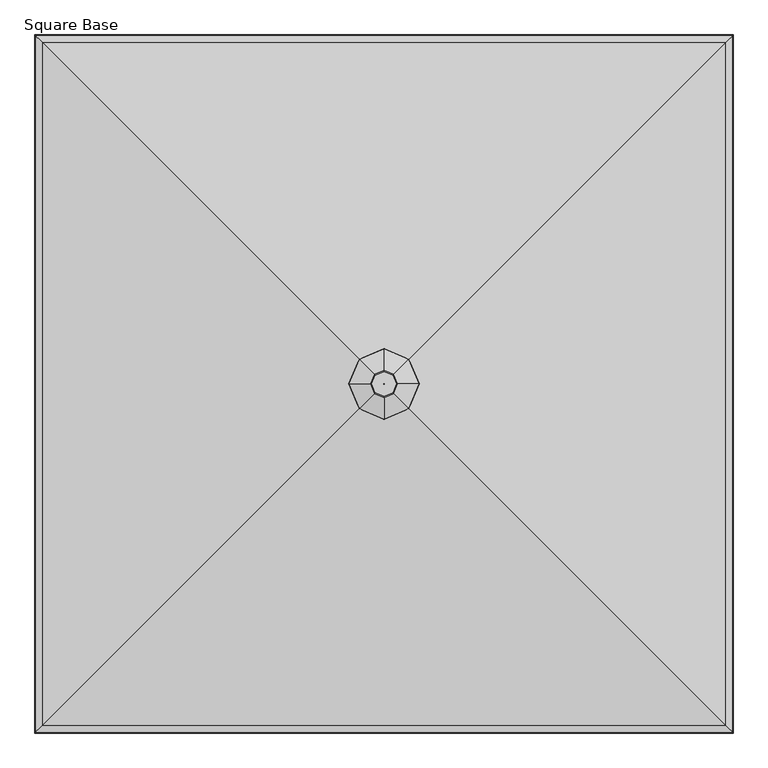
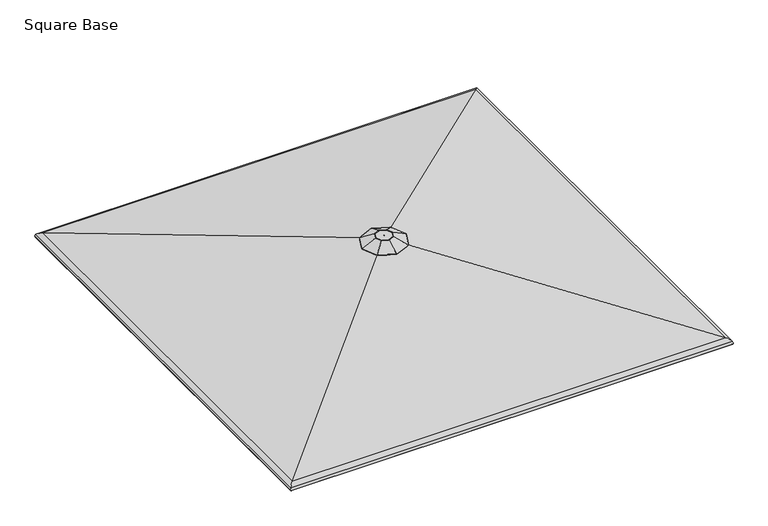
"""IFC4 building model written with IfcOpenShell, lengths in millimetres: furniture geometry, Square Base."""

from ifc_helpers import new_model, si_unit, frame, origin, place, context, project, spatial, polyline, ellipse_curve, source, transform, mapped, element, save
from ifc_brep_helpers import plane_surface, cylinder_surface, revolved_surface, advanced_brep


def square_base_37c14542(model_context):
    return source(origin(), model_context, "Body", "AdvancedBrep", [
        advanced_brep(
        [(459.6167733, -4.0299408, 2788.1260368), (443.5284214, 33.0984806, 2788.1260368), (406.4, 49.1868325, 2788.1260368), (369.2715786, 33.0984806, 2788.1260368), (353.1832267, -4.0299408, 2788.1260368), (369.2715786, -41.1583622, 2788.1260368), (406.4, -57.2467141, 2788.1260368), (443.5284214, -41.1583622, 2788.1260368), (406.1200807, -3.7500215, 2788.1260368), (406.4, -3.6287279, 2788.1260368), (406.6799193, -3.7500215, 2788.1260368), (406.8012128, -4.0299408, 2788.1260368), (406.6799193, -4.30986, 2788.1260368), (406.4, -4.4311536, 2788.1260368), (406.1200807, -4.30986, 2788.1260368), (405.9987872, -4.0299408, 2788.1260368), (386.6122835, 15.7577757, 2773.6177982), (406.4, 24.3321167, 2773.6177982), (426.1877165, 15.7577757, 2773.6177982), (434.7620575, -4.0299408, 2773.6177982), (426.1877165, -23.8176572, 2773.6177982), (406.4, -32.3919982, 2773.6177982), (386.6122835, -23.8176572, 2773.6177982), (378.0379425, -4.0299408, 2773.6177982), (406.8012128, -4.0299408, 2773.6177982), (406.6799193, -3.7500215, 2773.6177982), (406.4, -3.6287279, 2773.6177982), (406.1200807, -3.7500215, 2773.6177982), (405.9987872, -4.0299408, 2773.6177982), (406.1200807, -4.30986, 2773.6177982), (406.4, -4.4311536, 2773.6177982), (406.6799193, -4.30986, 2773.6177982), (300.4700231, 101.9000361, 2741.0648825), (254.5688326, -4.0299408, 2741.0648825), (299.7039003, 102.6661589, 2743.64096), (253.4707362, -4.0299408, 2743.64096), (364.933862, 37.4361973, 2786.7726474), (346.9659065, -4.0299408, 2786.7726474), (300.4700231, -109.9599176, 2741.0648825), (299.7039003, -110.7260405, 2743.64096), (364.933862, -45.4960788, 2786.7726474), (406.4, -155.8611082, 2741.0648825), (406.4, -156.9592046, 2743.64096), (406.4, -63.4640343, 2786.7726474), (512.3299769, -109.9599176, 2741.0648825), (513.0960997, -110.7260405, 2743.64096), (447.866138, -45.4960788, 2786.7726474), (558.2311674, -4.0299408, 2741.0648825), (559.3292638, -4.0299408, 2743.64096), (465.8340935, -4.0299408, 2786.7726474), (512.3299769, 101.9000361, 2741.0648825), (513.0960997, 102.6661589, 2743.64096), (447.866138, 37.4361973, 2786.7726474), (406.4, 147.8012266, 2741.0648825), (406.4, 148.899323, 2743.64096), (406.4, 55.4041527, 2786.7726474)],
        [
            (0, 1),
            (1, 2),
            (2, 3),
            (3, 4),
            (4, 5),
            (5, 6),
            (6, 7),
            (7, 0),
            (8, 9),
            (9, 10),
            (10, 11),
            (11, 12),
            (12, 13),
            (13, 14),
            (14, 15),
            (15, 8),
            (16, 17),
            (17, 18),
            (18, 19),
            (19, 20),
            (20, 21),
            (21, 22),
            (22, 23),
            (23, 16),
            (24, 25),
            (25, 26),
            (26, 27),
            (27, 28),
            (28, 29),
            (29, 30),
            (30, 31),
            (31, 24),
            (27, 8),
            (15, 28),
            (14, 29),
            (13, 30),
            (12, 31),
            (11, 24),
            (10, 25),
            (9, 26),
            (32, 16),
            (23, 33),
            (33, 32),
            (34, 32, ellipse_curve(frame((300.178338, 102.1917212, 2742.3999245), z_axis=(-0.7071067811865479, -0.707106781186547, 0.0), x_axis=(-0.7071067811865467, 0.7071067811865482, 0.0)), 1.4936871, 1.3890625)),
            (33, 35, ellipse_curve(frame((254.1507556, -4.0299408, 2742.3999245), z_axis=(0.0, 0.9999999999999999, 0.0), x_axis=(1.0, 0.0, 0.0)), 1.5138634, 1.3890625)),
            (35, 34),
            (36, 34),
            (35, 37),
            (37, 36),
            (3, 36, ellipse_curve(frame((369.2715786, 33.0984806, 2775.4260368), z_axis=(-0.7071067811865479, -0.707106781186547, 0.0), x_axis=(-0.7071067811865467, 0.7071067811865482, 0.0)), 13.656568, 12.7)),
            (37, 4, ellipse_curve(frame((353.1832267, -4.0299408, 2775.4260368), z_axis=(0.0, 0.9999999999999999, 0.0), x_axis=(1.0, 0.0, 0.0)), 13.8410369, 12.7)),
            (22, 38),
            (38, 33),
            (38, 39, ellipse_curve(frame((300.178338, -110.2516027, 2742.3999245), z_axis=(-0.707106781186547, 0.707106781186548, 0.0), x_axis=(0.7071067811865479, 0.707106781186547, 0.0)), 1.4936871, 1.3890625)),
            (39, 35),
            (39, 40),
            (40, 37),
            (40, 5, ellipse_curve(frame((369.2715786, -41.1583622, 2775.4260368), z_axis=(-0.707106781186547, 0.707106781186548, 0.0), x_axis=(0.7071067811865479, 0.707106781186547, 0.0)), 13.656568, 12.7)),
            (21, 41),
            (41, 38),
            (41, 42, ellipse_curve(frame((406.4, -156.2791852, 2742.3999245), z_axis=(-0.9999999999999999, 0.0, 0.0), x_axis=(0.0, 1.0, 0.0)), 1.5138634, 1.3890625)),
            (42, 39),
            (42, 43),
            (43, 40),
            (43, 6, ellipse_curve(frame((406.4, -57.2467141, 2775.4260368), z_axis=(-0.9999999999999999, 0.0, 0.0), x_axis=(0.0, 1.0, 0.0)), 13.8410369, 12.7)),
            (20, 44),
            (44, 41),
            (44, 45, ellipse_curve(frame((512.621662, -110.2516027, 2742.3999245), z_axis=(-0.707106781186548, -0.707106781186547, 0.0), x_axis=(-0.7071067811865469, 0.7071067811865481, 0.0)), 1.4936871, 1.3890625)),
            (45, 42),
            (45, 46),
            (46, 43),
            (46, 7, ellipse_curve(frame((443.5284214, -41.1583622, 2775.4260368), z_axis=(-0.707106781186548, -0.707106781186547, 0.0), x_axis=(-0.7071067811865469, 0.7071067811865481, 0.0)), 13.656568, 12.7)),
            (19, 47),
            (47, 44),
            (47, 48, ellipse_curve(frame((558.6492444, -4.0299408, 2742.3999245), z_axis=(0.0, -1.0, 0.0), x_axis=(-1.0, 0.0, 0.0)), 1.5138634, 1.3890625)),
            (48, 45),
            (48, 49),
            (49, 46),
            (49, 0, ellipse_curve(frame((459.6167733, -4.0299408, 2775.4260368), z_axis=(0.0, -1.0, 0.0), x_axis=(-1.0, 0.0, 0.0)), 13.8410369, 12.7)),
            (18, 50),
            (50, 47),
            (50, 51, ellipse_curve(frame((512.621662, 102.1917212, 2742.3999245), z_axis=(0.707106781186547, -0.707106781186548, 0.0), x_axis=(-0.7071067811865478, -0.7071067811865471, 0.0)), 1.4936871, 1.3890625)),
            (51, 48),
            (51, 52),
            (52, 49),
            (52, 1, ellipse_curve(frame((443.5284214, 33.0984806, 2775.4260368), z_axis=(0.707106781186547, -0.707106781186548, 0.0), x_axis=(-0.7071067811865478, -0.7071067811865471, 0.0)), 13.656568, 12.7)),
            (17, 53),
            (53, 50),
            (53, 54, ellipse_curve(frame((406.4, 148.2193037, 2742.3999245), z_axis=(0.9999999999999999, 0.0, 0.0), x_axis=(0.0, -1.0, 0.0)), 1.5138634, 1.3890625)),
            (54, 51),
            (54, 55),
            (55, 52),
            (55, 2, ellipse_curve(frame((406.4, 49.1868325, 2775.4260368), z_axis=(0.9999999999999999, 0.0, 0.0), x_axis=(0.0, -1.0, 0.0)), 13.8410369, 12.7)),
            (32, 53),
            (34, 54),
            (36, 55),
        ],
        [
            plane_surface(frame((406.4, 49.1868325, 2788.1260368), z_axis=(0.0, 0.0, 1.0000000000000002), x_axis=(-0.9175613115760064, -0.3975943152246007, 0.0))),
            plane_surface(frame((406.4, -3.6287279, 2773.6177982), z_axis=(0.0, 0.0, -1.0000000000000002), x_axis=(-0.9175613115760123, -0.397594315224587, 0.0))),
            plane_surface(frame((406.1200807, -3.7500215, 2788.1260368), z_axis=(0.9175613115760118, -0.3975943152245879, 0.0), x_axis=(-0.3975943152245879, -0.9175613115760118, 0.0))),
            plane_surface(frame((405.9987872, -4.0299408, 2788.1260368), z_axis=(0.9175613115760107, 0.3975943152245906, 0.0), x_axis=(0.3975943152245906, -0.9175613115760107, 0.0))),
            plane_surface(frame((406.1200807, -4.30986, 2788.1260368), z_axis=(0.39759431522459493, 0.9175613115760088, 0.0), x_axis=(0.9175613115760088, -0.39759431522459493, 0.0))),
            plane_surface(frame((406.4, -4.4311536, 2788.1260368), z_axis=(-0.3975943152246053, 0.9175613115760043, 0.0), x_axis=(0.9175613115760043, 0.3975943152246053, 0.0))),
            plane_surface(frame((406.6799193, -4.30986, 2788.1260368), z_axis=(-0.9175613115759941, 0.39759431522462907, 0.0), x_axis=(0.39759431522462907, 0.9175613115759941, 0.0))),
            plane_surface(frame((406.8012128, -4.0299408, 2788.1260368), z_axis=(-0.9175613115759855, -0.3975943152246487, 0.0), x_axis=(-0.3975943152246487, 0.9175613115759855, 0.0))),
            plane_surface(frame((406.6799193, -3.7500215, 2788.1260368), z_axis=(-0.39759431522467054, -0.917561311575976, 0.0), x_axis=(-0.917561311575976, 0.39759431522467054, 0.0))),
            plane_surface(frame((406.4, -3.6287279, 2788.1260368), z_axis=(0.397594315224615, -0.9175613115760002, 0.0), x_axis=(-0.9175613115760002, -0.397594315224615, 0.0))),
            plane_surface(frame((386.6122835, 15.7577757, 2773.6177982), z_axis=(0.2533988855278374, -0.10980187928485073, -0.9611100624375781), x_axis=(-0.39759431522460226, -0.9175613115760056, 0.0))),
            cylinder_surface(frame((300.2593942, 102.3787813, 2742.3999245), z_axis=(0.3975943152246023, 0.9175613115760056, 0.0), x_axis=(0.9175613115760056, -0.3975943152246023, 0.0)), 1.3890625),
            plane_surface(frame((299.7039003, 102.6661589, 2743.64096), z_axis=(-0.41216366180553754, 0.17859725209486316, 0.8934339021053624), x_axis=(-0.3975943152246024, -0.9175613115760055, 0.0))),
            cylinder_surface(frame((383.6366896, 66.2500363, 2775.4260368), z_axis=(0.3975943152246023, 0.9175613115760056, 0.0), x_axis=(0.9175613115760056, -0.3975943152246023, 0.0)), 12.7),
            plane_surface(frame((378.0379425, -4.0299408, 2773.6177982), z_axis=(0.25339888552783785, 0.10980187928484988, -0.9611100624375781), x_axis=(0.3975943152245991, -0.9175613115760071, 0.0))),
            cylinder_surface(frame((254.0619188, -3.8249249, 2742.3999245), z_axis=(-0.39759431522459965, 0.9175613115760068, 0.0), x_axis=(0.9175613115760068, 0.39759431522459965, 0.0)), 1.3890625),
            plane_surface(frame((253.4707362, -4.0299408, 2743.64096), z_axis=(-0.41216366180553804, -0.17859725209486185, 0.8934339021053624), x_axis=(0.3975943152245996, -0.9175613115760067, 0.0))),
            cylinder_surface(frame((337.4392142, 32.3038202, 2775.4260368), z_axis=(-0.39759431522459965, 0.9175613115760068, 0.0), x_axis=(0.9175613115760068, 0.39759431522459965, 0.0)), 12.7),
            plane_surface(frame((386.6122835, -23.8176572, 2773.6177982), z_axis=(0.10980187928485052, 0.2533988855278374, -0.9611100624375781), x_axis=(0.917561311576006, -0.39759431522460165, 0.0))),
            cylinder_surface(frame((299.9912779, -110.1705465, 2742.3999245), z_axis=(-0.9175613115760063, 0.3975943152246009, 0.0), x_axis=(0.3975943152246009, 0.9175613115760063, 0.0)), 1.3890625),
            plane_surface(frame((299.7039003, -110.7260405, 2743.64096), z_axis=(-0.1785972520948624, -0.4121636618055376, 0.8934339021053627), x_axis=(0.9175613115760062, -0.397594315224601, 0.0))),
            cylinder_surface(frame((336.1200229, -26.7932512, 2775.4260368), z_axis=(-0.9175613115760063, 0.3975943152246009, 0.0), x_axis=(0.3975943152246009, 0.9175613115760063, 0.0)), 12.7),
            plane_surface(frame((406.4, -32.3919982, 2773.6177982), z_axis=(-0.10980187928485045, 0.25339888552783746, -0.9611100624375781), x_axis=(0.9175613115760061, 0.3975943152246013, 0.0))),
            cylinder_surface(frame((406.1949841, -156.368022, 2742.3999245), z_axis=(-0.9175613115760062, -0.3975943152246011, 0.0), x_axis=(-0.3975943152246011, 0.9175613115760062, 0.0)), 1.3890625),
            plane_surface(frame((406.4, -156.9592046, 2743.64096), z_axis=(0.1785972520948625, -0.41216366180553776, 0.8934339021053627), x_axis=(0.9175613115760062, 0.397594315224601, 0.0))),
            cylinder_surface(frame((370.0662391, -72.9907266, 2775.4260368), z_axis=(-0.9175613115760062, -0.3975943152246011, 0.0), x_axis=(-0.3975943152246011, 0.9175613115760062, 0.0)), 12.7),
            plane_surface(frame((426.1877165, -23.8176572, 2773.6177982), z_axis=(-0.25339888552783724, 0.10980187928485072, -0.961110062437578), x_axis=(0.39759431522460237, 0.9175613115760055, 0.0))),
            cylinder_surface(frame((512.5406058, -110.4386628, 2742.3999245), z_axis=(-0.3975943152246023, -0.9175613115760057, 0.0), x_axis=(-0.9175613115760057, 0.3975943152246023, 0.0)), 1.3890625),
            plane_surface(frame((513.0960997, -110.7260405, 2743.64096), z_axis=(0.41216366180553743, -0.17859725209486302, 0.8934339021053627), x_axis=(0.39759431522460226, 0.9175613115760056, 0.0))),
            cylinder_surface(frame((429.1633104, -74.3099178, 2775.4260368), z_axis=(-0.3975943152246023, -0.9175613115760057, 0.0), x_axis=(-0.9175613115760057, 0.3975943152246023, 0.0)), 12.7),
            plane_surface(frame((434.7620575, -4.0299408, 2773.6177982), z_axis=(-0.2533988855278377, -0.10980187928484986, -0.9611100624375781), x_axis=(-0.39759431522459915, 0.917561311576007, 0.0))),
            cylinder_surface(frame((558.7380812, -4.2349567, 2742.3999245), z_axis=(0.39759431522459965, -0.9175613115760066, 0.0), x_axis=(-0.9175613115760066, -0.39759431522459965, 0.0)), 1.3890625),
            plane_surface(frame((559.3292638, -4.0299408, 2743.64096), z_axis=(0.4121636618055378, 0.17859725209486188, 0.8934339021053628), x_axis=(-0.3975943152245998, 0.9175613115760066, 0.0))),
            cylinder_surface(frame((475.3607858, -40.3637017, 2775.4260368), z_axis=(0.39759431522459965, -0.9175613115760066, 0.0), x_axis=(-0.9175613115760066, -0.39759431522459965, 0.0)), 12.7),
            plane_surface(frame((426.1877165, 15.7577757, 2773.6177982), z_axis=(-0.10980187928485023, -0.2533988855278375, -0.961110062437578), x_axis=(-0.9175613115760064, 0.3975943152246006, 0.0))),
            cylinder_surface(frame((512.8087221, 102.110665, 2742.3999245), z_axis=(0.9175613115760062, -0.3975943152246008, 0.0), x_axis=(-0.3975943152246008, -0.9175613115760062, 0.0)), 1.3890625),
            plane_surface(frame((513.0960997, 102.6661589, 2743.64096), z_axis=(0.1785972520948624, 0.41216366180553754, 0.8934339021053628), x_axis=(-0.9175613115760062, 0.39759431522460104, 0.0))),
            cylinder_surface(frame((476.6799771, 18.7333696, 2775.4260368), z_axis=(0.9175613115760062, -0.3975943152246008, 0.0), x_axis=(-0.3975943152246008, -0.9175613115760062, 0.0)), 12.7),
            plane_surface(frame((406.4, 24.3321167, 2773.6177982), z_axis=(0.10980187928485025, -0.25339888552783746, -0.961110062437578), x_axis=(-0.9175613115760063, -0.39759431522460065, 0.0))),
            cylinder_surface(frame((406.6050159, 148.3081404, 2742.3999245), z_axis=(0.9175613115760061, 0.39759431522460115, 0.0), x_axis=(0.39759431522460115, -0.9175613115760061, 0.0)), 1.3890625),
            plane_surface(frame((406.4, 148.899323, 2743.64096), z_axis=(-0.1785972520948624, 0.41216366180553754, 0.8934339021053627), x_axis=(-0.9175613115760062, -0.397594315224601, 0.0))),
            cylinder_surface(frame((442.7337609, 64.9308451, 2775.4260368), z_axis=(0.9175613115760061, 0.39759431522460115, 0.0), x_axis=(0.39759431522460115, -0.9175613115760061, 0.0)), 12.7),
        ],
        [
            (0, [[1, 2, 3, 4, 5, 6, 7, 8], [9, 10, 11, 12, 13, 14, 15, 16]]),
            (1, [[17, 18, 19, 20, 21, 22, 23, 24], [25, 26, 27, 28, 29, 30, 31, 32]]),
            (2, [[33, -16, 34, -28]]),
            (3, [[-34, -15, 35, -29]]),
            (4, [[-35, -14, 36, -30]]),
            (5, [[-36, -13, 37, -31]]),
            (6, [[-37, -12, 38, -32]]),
            (7, [[-38, -11, 39, -25]]),
            (8, [[-39, -10, 40, -26]]),
            (9, [[-40, -9, -33, -27]]),
            (10, [[41, -24, 42, 43]]),
            (11, [[44, -43, 45, 46]]),
            (12, [[47, -46, 48, 49]]),
            (13, [[50, -49, 51, -4]]),
            (14, [[-42, -23, 52, 53]]),
            (15, [[-45, -53, 54, 55]]),
            (16, [[-48, -55, 56, 57]]),
            (17, [[-51, -57, 58, -5]]),
            (18, [[-52, -22, 59, 60]]),
            (19, [[-54, -60, 61, 62]]),
            (20, [[-56, -62, 63, 64]]),
            (21, [[-58, -64, 65, -6]]),
            (22, [[-59, -21, 66, 67]]),
            (23, [[-61, -67, 68, 69]]),
            (24, [[-63, -69, 70, 71]]),
            (25, [[-65, -71, 72, -7]]),
            (26, [[-66, -20, 73, 74]]),
            (27, [[-68, -74, 75, 76]]),
            (28, [[-70, -76, 77, 78]]),
            (29, [[-72, -78, 79, -8]]),
            (30, [[-73, -19, 80, 81]]),
            (31, [[-75, -81, 82, 83]]),
            (32, [[-77, -83, 84, 85]]),
            (33, [[-79, -85, 86, -1]]),
            (34, [[-80, -18, 87, 88]]),
            (35, [[-82, -88, 89, 90]]),
            (36, [[-84, -90, 91, 92]]),
            (37, [[-86, -92, 93, -2]]),
            (38, [[-87, -17, -41, 94]]),
            (39, [[-89, -94, -44, 95]]),
            (40, [[-91, -95, -47, 96]]),
            (41, [[-93, -96, -50, -3]]),
        ],
    ),
        advanced_brep(
        [(1918.0266063, -1515.5505769, 2406.4885499), (1890.1051249, -1487.6290955, 2426.4541073), (-1077.3051249, -1487.6290955, 2426.4541073), (-1105.2266063, -1515.5505769, 2406.4885499), (1920.8410222, -1518.3649928, 2386.5591998), (-1108.0410222, -1518.3649928, 2386.5591998), (1916.4494701, -1513.9734407, 2387.8021546), (-1103.6494701, -1513.9734407, 2387.8021546), (1914.1509856, -1511.6749562, 2404.0781078), (-1101.3509856, -1511.6749562, 2404.0781078), (1889.0773715, -1486.6013421, 2422.0072669), (-1076.2773715, -1486.6013421, 2422.0072669), (472.3126419, -69.8366125, 2749.4498123), (340.4873581, -69.8366125, 2749.4498123), (406.7617904, -4.285761, 2754.0138748), (406.7617904, -4.285761, 2749.4498123), (406.0382096, -4.285761, 2749.4498123), (406.0382096, -4.285761, 2754.0138748), (472.8332036, -70.3571742, 2754.0138748), (339.9667964, -70.3571742, 2754.0138748), (-1077.3051249, 1479.5692139, 2426.4541073), (-1105.2266063, 1507.4906953, 2406.4885499), (-1108.0410222, 1510.3051113, 2386.5591998), (-1103.6494701, 1505.9135592, 2387.8021546), (-1101.3509856, 1503.6150747, 2404.0781078), (-1076.2773715, 1478.5414606, 2422.0072669), (340.4873581, 61.776731, 2749.4498123), (406.0382096, -3.7741206, 2749.4498123), (406.0382096, -3.7741206, 2754.0138748), (339.9667964, 62.2972926, 2754.0138748), (1890.1051249, 1479.5692139, 2426.4541073), (1918.0266063, 1507.4906953, 2406.4885499), (1920.8410222, 1510.3051113, 2386.5591998), (1916.4494701, 1505.9135592, 2387.8021546), (1914.1509856, 1503.6150747, 2404.0781078), (1889.0773715, 1478.5414606, 2422.0072669), (472.3126419, 61.776731, 2749.4498123), (406.7617904, -3.7741206, 2749.4498123), (406.7617904, -3.7741206, 2754.0138748), (472.8332036, 62.2972926, 2754.0138748)],
        [
            (0, 1, ellipse_curve(frame((1880.0286733, -1477.5526439, 2382.8557374), z_axis=(-0.7071067811865492, -0.7071067811865457, 0.0), x_axis=(0.7071067811865458, -0.7071067811865491, 0.0)), 63.2827424, 44.7476563)),
            (1, 2),
            (2, 3, ellipse_curve(frame((-1067.2286733, -1477.5526439, 2382.8557374), z_axis=(0.7071067811865469, -0.7071067811865481, 0.0), x_axis=(0.7071067811865481, 0.7071067811865469, 0.0)), 63.2827424, 44.7476563)),
            (3, 0),
            (4, 0, ellipse_curve(frame((1896.8850212, -1494.4089918, 2393.3395421), z_axis=(-0.7071067811865492, -0.7071067811865457, 0.0), x_axis=(0.7071067811865458, -0.7071067811865491, 0.0)), 35.2097438, 24.8970486)),
            (3, 5, ellipse_curve(frame((-1084.0850212, -1494.4089918, 2393.3395421), z_axis=(0.7071067811865469, -0.7071067811865481, 0.0), x_axis=(0.7071067811865481, 0.7071067811865469, 0.0)), 35.2097438, 24.8970486)),
            (5, 4),
            (6, 4, ellipse_curve(frame((1918.6452462, -1516.1692168, 2387.1806772), z_axis=(-0.7071067811865492, -0.7071067811865457, 0.0), x_axis=(0.7071067811865458, -0.7071067811865491, 0.0)), 3.2272795, 2.2820312)),
            (5, 7, ellipse_curve(frame((-1105.8452462, -1516.1692168, 2387.1806772), z_axis=(0.7071067811865469, -0.7071067811865481, 0.0), x_axis=(0.7071067811865481, 0.7071067811865469, 0.0)), 3.2272795, 2.2820312)),
            (7, 6),
            (8, 6, ellipse_curve(frame((1896.8850212, -1494.4089918, 2393.3395421), z_axis=(0.7071067811865492, 0.7071067811865457, 0.0), x_axis=(-0.7071067811865458, 0.7071067811865491, 0.0)), 28.7551847, 20.3329861)),
            (7, 9, ellipse_curve(frame((-1084.0850212, -1494.4089918, 2393.3395421), z_axis=(-0.7071067811865469, 0.7071067811865481, 0.0), x_axis=(-0.7071067811865481, -0.7071067811865469, 0.0)), 28.7551847, 20.3329861)),
            (9, 8),
            (10, 8, ellipse_curve(frame((1880.0286733, -1477.5526439, 2382.8557374), z_axis=(0.7071067811865492, 0.7071067811865457, 0.0), x_axis=(-0.7071067811865458, 0.7071067811865491, 0.0)), 56.8281833, 40.1835938)),
            (9, 11, ellipse_curve(frame((-1067.2286733, -1477.5526439, 2382.8557374), z_axis=(-0.7071067811865469, 0.7071067811865481, 0.0), x_axis=(-0.7071067811865481, -0.7071067811865469, 0.0)), 56.8281833, 40.1835938)),
            (11, 10),
            (12, 10),
            (11, 13),
            (13, 12),
            (14, 15),
            (15, 16),
            (16, 17),
            (17, 14),
            (1, 18),
            (18, 19),
            (19, 2),
            (2, 20),
            (20, 21, ellipse_curve(frame((-1067.2286733, 1469.4927623, 2382.8557374), z_axis=(-0.7071067811865459, -0.7071067811865491, 0.0), x_axis=(0.7071067811865491, -0.7071067811865458, 0.0)), 63.2827424, 44.7476563)),
            (21, 3),
            (21, 22, ellipse_curve(frame((-1084.0850212, 1486.3491102, 2393.3395421), z_axis=(-0.7071067811865459, -0.7071067811865491, 0.0), x_axis=(0.7071067811865491, -0.7071067811865458, 0.0)), 35.2097438, 24.8970486)),
            (22, 5),
            (22, 23, ellipse_curve(frame((-1105.8452462, 1508.1093352, 2387.1806772), z_axis=(-0.7071067811865459, -0.7071067811865491, 0.0), x_axis=(0.7071067811865491, -0.7071067811865458, 0.0)), 3.2272795, 2.2820312)),
            (23, 7),
            (23, 24, ellipse_curve(frame((-1084.0850212, 1486.3491102, 2393.3395421), z_axis=(0.7071067811865459, 0.7071067811865491, 0.0), x_axis=(-0.7071067811865491, 0.7071067811865458, 0.0)), 28.7551847, 20.3329861)),
            (24, 9),
            (24, 25, ellipse_curve(frame((-1067.2286733, 1469.4927623, 2382.8557374), z_axis=(0.7071067811865459, 0.7071067811865491, 0.0), x_axis=(-0.7071067811865491, 0.7071067811865458, 0.0)), 56.8281833, 40.1835938)),
            (25, 11),
            (25, 26),
            (26, 13),
            (16, 27),
            (27, 28),
            (28, 17),
            (19, 29),
            (29, 20),
            (20, 30),
            (30, 31, ellipse_curve(frame((1880.0286733, 1469.4927623, 2382.8557374), z_axis=(-0.7071067811865479, 0.707106781186547, 0.0), x_axis=(-0.7071067811865472, -0.7071067811865477, 0.0)), 63.2827424, 44.7476563)),
            (31, 21),
            (31, 32, ellipse_curve(frame((1896.8850212, 1486.3491102, 2393.3395421), z_axis=(-0.7071067811865479, 0.707106781186547, 0.0), x_axis=(-0.7071067811865472, -0.7071067811865477, 0.0)), 35.2097438, 24.8970486)),
            (32, 22),
            (32, 33, ellipse_curve(frame((1918.6452462, 1508.1093352, 2387.1806772), z_axis=(-0.7071067811865479, 0.707106781186547, 0.0), x_axis=(-0.7071067811865472, -0.7071067811865477, 0.0)), 3.2272795, 2.2820312)),
            (33, 23),
            (33, 34, ellipse_curve(frame((1896.8850212, 1486.3491102, 2393.3395421), z_axis=(0.7071067811865479, -0.707106781186547, 0.0), x_axis=(0.7071067811865472, 0.7071067811865477, 0.0)), 28.7551847, 20.3329861)),
            (34, 24),
            (34, 35, ellipse_curve(frame((1880.0286733, 1469.4927623, 2382.8557374), z_axis=(0.7071067811865479, -0.707106781186547, 0.0), x_axis=(0.7071067811865472, 0.7071067811865477, 0.0)), 56.8281833, 40.1835938)),
            (35, 25),
            (35, 36),
            (36, 26),
            (27, 37),
            (37, 38),
            (38, 28),
            (29, 39),
            (39, 30),
            (30, 1),
            (0, 31),
            (4, 32),
            (6, 33),
            (8, 34),
            (10, 35),
            (12, 36),
            (15, 37),
            (14, 38),
            (18, 39),
        ],
        [
            cylinder_surface(frame((1928.5489374, -1477.5526439, 2382.8557374), z_axis=(1.0, 0.0, 0.0), x_axis=(0.0, -1.0, 0.0)), 44.7476563),
            cylinder_surface(frame((1928.5489374, -1494.4089918, 2393.3395421), z_axis=(1.0, 0.0, 0.0), x_axis=(0.0, -1.0, 0.0)), 24.8970486),
            cylinder_surface(frame((1928.5489374, -1516.1692168, 2387.1806772), z_axis=(1.0, 0.0, 0.0), x_axis=(0.0, -1.0, 0.0)), 2.2820312),
            revolved_surface(polyline([(-1104.4180072956422, -1514.7419779, 2393.3395421), (1917.2180072956417, -1514.7419779, 2393.3395421)]), (1928.5489374, -1494.4089918, 2393.3395421), (-1.0, 0.0, 0.0)),
            revolved_surface(polyline([(-1107.4122670739418, -1517.7362377, 2382.8557374), (1920.212267073942, -1517.7362377, 2382.8557374)]), (1928.5489374, -1477.5526439, 2382.8557374), (-1.0, 0.0, 0.0)),
            plane_surface(frame((1889.0773715, -1486.6013421, 2422.0072669), z_axis=(0.0, 0.22518389675848055, -0.9743162795728428), x_axis=(-1.0, 0.0, 0.0))),
            plane_surface(frame((406.7617904, -4.285761, 2749.4498123), z_axis=(-1.122404475803615e-12, 1.0, 0.0), x_axis=(-1.0, -1.122404475803615e-12, 0.0))),
            plane_surface(frame((472.8332036, -70.3571742, 2754.0138748), z_axis=(0.0, -0.2251838967584806, 0.9743162795728428), x_axis=(-1.0, 0.0, 0.0))),
            cylinder_surface(frame((-1067.2286733, -1526.072908, 2382.8557374), z_axis=(0.0, -1.0, 0.0), x_axis=(-1.0, 0.0, 0.0)), 44.7476563),
            cylinder_surface(frame((-1084.0850212, -1526.072908, 2393.3395421), z_axis=(0.0, -1.0, 0.0), x_axis=(-1.0, 0.0, 0.0)), 24.8970486),
            cylinder_surface(frame((-1105.8452462, -1526.072908, 2387.1806772), z_axis=(0.0, -1.0, 0.0), x_axis=(-1.0, 0.0, 0.0)), 2.2820312),
            revolved_surface(polyline([(-1104.4180073, 1506.6820962956413, 2393.3395421), (-1104.4180073, -1514.7419778956416, 2393.3395421)]), (-1084.0850212, -1526.072908, 2393.3395421), (0.0, 1.0, 0.0)),
            revolved_surface(polyline([(-1107.4122671, 1509.6763560739423, 2382.8557374), (-1107.4122671, -1517.736237673942, 2382.8557374)]), (-1067.2286733, -1526.072908, 2382.8557374), (0.0, 1.0, 0.0)),
            plane_surface(frame((-1076.2773715, -1486.6013421, 2422.0072669), z_axis=(0.2251838967584774, 0.0, -0.9743162795728436), x_axis=(0.0, 1.0, 0.0))),
            plane_surface(frame((406.0382096, -4.285761, 2749.4498123), z_axis=(1.0, 0.0, 0.0), x_axis=(0.0, 1.0, 0.0))),
            plane_surface(frame((339.9667964, -70.3571742, 2754.0138748), z_axis=(-0.22518389675847744, 0.0, 0.9743162795728436), x_axis=(0.0, 1.0, 0.0))),
            cylinder_surface(frame((-1115.7489374, 1469.4927623, 2382.8557374), z_axis=(-1.0, 0.0, 0.0), x_axis=(0.0, 1.0, 0.0)), 44.7476563),
            cylinder_surface(frame((-1115.7489374, 1486.3491102, 2393.3395421), z_axis=(-1.0, 0.0, 0.0), x_axis=(0.0, 1.0, 0.0)), 24.8970486),
            cylinder_surface(frame((-1115.7489374, 1508.1093352, 2387.1806772), z_axis=(-1.0, 0.0, 0.0), x_axis=(0.0, 1.0, 0.0)), 2.2820312),
            revolved_surface(polyline([(1917.2180072956414, 1506.6820963, 2393.3395421), (-1104.4180072956417, 1506.6820963, 2393.3395421)]), (-1115.7489374, 1486.3491102, 2393.3395421), (1.0, 0.0, 0.0)),
            revolved_surface(polyline([(1920.212267073942, 1509.6763561, 2382.8557374), (-1107.4122670739423, 1509.6763561, 2382.8557374)]), (-1115.7489374, 1469.4927623, 2382.8557374), (1.0, 0.0, 0.0)),
            plane_surface(frame((-1076.2773715, 1478.5414606, 2422.0072669), z_axis=(0.0, -0.22518389675848055, -0.9743162795728428), x_axis=(1.0, 0.0, 0.0))),
            plane_surface(frame((406.0382096, -3.7741206, 2749.4498123), z_axis=(0.0, -1.0, 0.0), x_axis=(1.0, 0.0, 0.0))),
            plane_surface(frame((339.9667964, 62.2972926, 2754.0138748), z_axis=(0.0, 0.2251838967584806, 0.9743162795728428), x_axis=(1.0, 0.0, 0.0))),
            cylinder_surface(frame((1880.0286733, 1518.0130264, 2382.8557374), z_axis=(0.0, 1.0, 0.0), x_axis=(1.0, 0.0, 0.0)), 44.7476563),
            cylinder_surface(frame((1896.8850212, 1518.0130264, 2393.3395421), z_axis=(0.0, 1.0, 0.0), x_axis=(1.0, 0.0, 0.0)), 24.8970486),
            cylinder_surface(frame((1918.6452462, 1518.0130264, 2387.1806772), z_axis=(0.0, 1.0, 0.0), x_axis=(1.0, 0.0, 0.0)), 2.2820312),
            revolved_surface(polyline([(1917.2180073, -1514.7419778956419, 2393.3395421), (1917.2180073, 1506.6820962956417, 2393.3395421)]), (1896.8850212, 1518.0130264, 2393.3395421), (0.0, -1.0, 0.0)),
            revolved_surface(polyline([(1920.2122671, -1517.736237673942, 2382.8557374), (1920.2122671, 1509.6763560739423, 2382.8557374)]), (1880.0286733, 1518.0130264, 2382.8557374), (0.0, -1.0, 0.0)),
            plane_surface(frame((1889.0773715, 1478.5414606, 2422.0072669), z_axis=(-0.22518389675848371, 0.0, -0.9743162795728421), x_axis=(0.0, -1.0, 0.0))),
            plane_surface(frame((472.3126419, 61.776731, 2749.4498123), z_axis=(0.0, 0.0, -1.0), x_axis=(0.0, -1.0, 0.0))),
            plane_surface(frame((406.7617904, -3.7741206, 2749.4498123), z_axis=(-1.0, 0.0, 0.0), x_axis=(0.0, -1.0, 0.0))),
            plane_surface(frame((406.7617904, -3.7741206, 2754.0138748), z_axis=(0.0, 0.0, 1.0), x_axis=(0.0, -1.0, 0.0))),
            plane_surface(frame((472.8332036, 62.2972926, 2754.0138748), z_axis=(0.22518389675848377, 0.0, 0.9743162795728421), x_axis=(0.0, -1.0, 0.0))),
        ],
        [
            (0, [[1, 2, 3, 4]]),
            (1, [[5, -4, 6, 7]]),
            (2, [[8, -7, 9, 10]]),
            (3, [[11, -10, 12, 13]]),
            (4, [[14, -13, 15, 16]]),
            (5, [[17, -16, 18, 19]]),
            (6, [[20, 21, 22, 23]]),
            (7, [[24, 25, 26, -2]]),
            (8, [[-3, 27, 28, 29]]),
            (9, [[-6, -29, 30, 31]]),
            (10, [[-9, -31, 32, 33]]),
            (11, [[-12, -33, 34, 35]]),
            (12, [[-15, -35, 36, 37]]),
            (13, [[-18, -37, 38, 39]]),
            (14, [[-22, 40, 41, 42]]),
            (15, [[-26, 43, 44, -27]]),
            (16, [[-28, 45, 46, 47]]),
            (17, [[-30, -47, 48, 49]]),
            (18, [[-32, -49, 50, 51]]),
            (19, [[-34, -51, 52, 53]]),
            (20, [[-36, -53, 54, 55]]),
            (21, [[-38, -55, 56, 57]]),
            (22, [[-41, 58, 59, 60]]),
            (23, [[-44, 61, 62, -45]]),
            (24, [[-46, 63, -1, 64]]),
            (25, [[-48, -64, -5, 65]]),
            (26, [[-50, -65, -8, 66]]),
            (27, [[-52, -66, -11, 67]]),
            (28, [[-54, -67, -14, 68]]),
            (29, [[-56, -68, -17, 69]]),
            (30, [[-39, -57, -69, -19], [70, -58, -40, -21]]),
            (31, [[-59, -70, -20, 71]]),
            (32, [[72, -61, -43, -25], [-42, -60, -71, -23]]),
            (33, [[-62, -72, -24, -63]]),
        ],
    ),
    ])


if __name__ == "__main__":
    model = new_model("IFC4")
    model_context = context("Model", 3, world=origin())
    ifc_project = project(units=[si_unit("LENGTHUNIT", "METRE", prefix="MILLI")], contexts=[model_context])
    site = spatial("IfcSite", under=ifc_project)
    building = spatial("IfcBuilding", under=site)
    placement = place(None, origin())
    square_base_shape = square_base_37c14542(model_context)
    element("IfcFurniture", 1, ObjectType="Square Base", at=placement, inside=building, context=model_context, shape_type="MappedRepresentation", body=[
        mapped(square_base_shape, transform((0.0, 0.0, 0.0), x_axis=(1.0, 0.0, 0.0), y_axis=(0.0, 1.0, 0.0), z_axis=(0.0, 0.0, 1.0))),
    ])
    save(model, "model.ifc")
